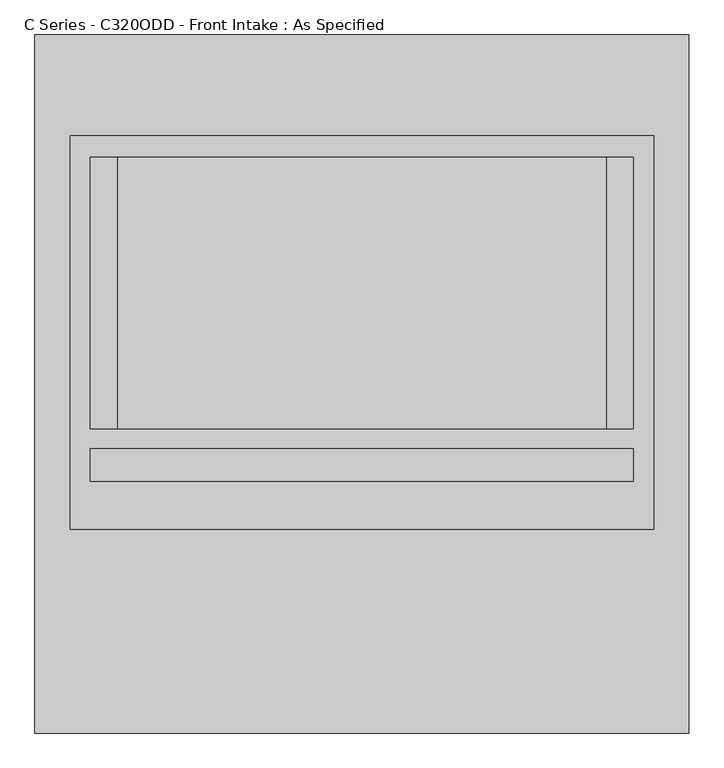
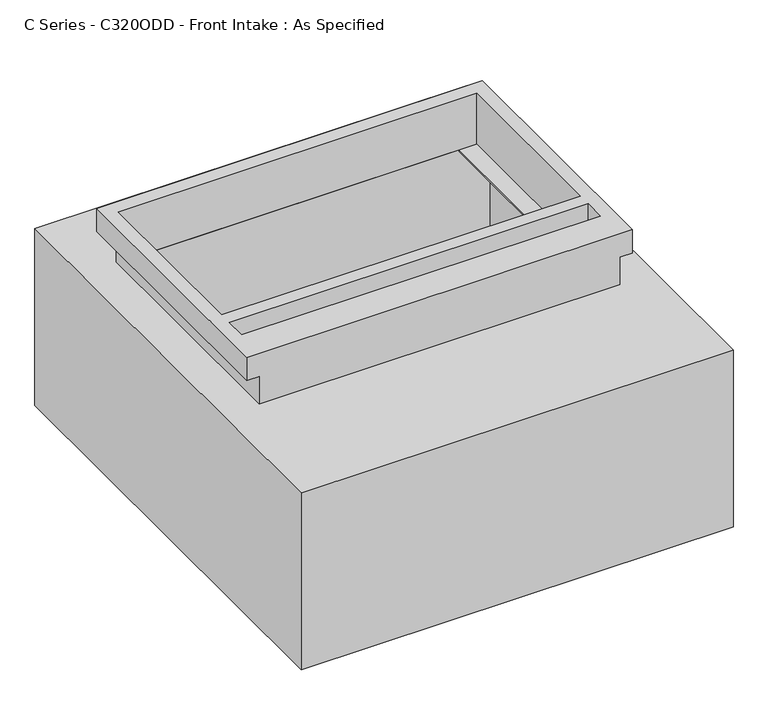
"""IFC4 building model written with IfcOpenShell, lengths in millimetres: proxy geometry, C Series - C320ODD - Front Intake : As Specified."""

from ifc_helpers import new_model, si_unit, frame, origin, place, context, project, spatial, polyline, circle_curve, faceted_brep, source, transform, mapped, element, save
from ifc_brep_helpers import plane_surface, revolved_surface, advanced_brep


def c_series_c320odd_front_intake_as_specified_63b49b5e(model_context):
    return source(origin(), model_context, "Body", "SolidModel", [
        advanced_brep(
        [(611.98125, 653.3058594, -530.3242188), (611.98125, -653.3058594, -530.3242188), (-611.98125, -653.3058594, -530.3242188), (-611.98125, 653.3058594, -530.3242188), (611.98125, 653.3058594, 0.0), (-611.98125, 653.3058594, 0.0), (-611.98125, -653.3058594, 0.0), (611.98125, -653.3058594, 0.0), (457.2, 424.6066406, 0.0), (457.2, -83.3933594, 0.0), (-457.2, -83.3933594, 0.0), (-457.2, 424.6066406, 0.0), (611.98125, -272.3058594, -430.3117188), (611.98125, -294.5308594, -430.3117188), (611.98125, -170.7058594, -430.3117188), (611.98125, -192.9308594, -430.3117188), (611.98125, -272.3058594, -100.1117188), (611.98125, -294.5308594, -100.1117188), (611.98125, -170.7058594, -100.1117188), (611.98125, -192.9308594, -100.1117188), (546.1, 424.6066406, -527.05), (-546.1, 424.6066406, -527.05), (-546.1, -83.3933594, -527.05), (546.1, -83.3933594, -527.05), (546.1, 424.6066406, -3.175), (546.1, -83.3933594, -3.175), (457.2, -83.3933594, -3.175), (457.2, 424.6066406, -3.175), (-546.1, -83.3933594, -3.175), (-546.1, 424.6066406, -3.175), (-457.2, 424.6066406, -3.175), (-457.2, -83.3933594, -3.175), (596.128271, -294.5308594, -430.3117188), (596.128271, -272.3058594, -430.3117188), (596.128271, -192.9308594, -430.3117188), (596.128271, -170.7058594, -430.3117188), (596.128271, -294.5308594, -100.1117188), (596.128271, -272.3058594, -100.1117188), (596.128271, -192.9308594, -100.1117188), (596.128271, -170.7058594, -100.1117188)],
        [
            (0, 1),
            (1, 2),
            (2, 3),
            (3, 0),
            (4, 5),
            (5, 6),
            (6, 7),
            (7, 4),
            (8, 9),
            (9, 10),
            (10, 11),
            (11, 8),
            (3, 5),
            (4, 0),
            (2, 6),
            (1, 7),
            (12, 13, circle_curve(frame((611.98125, -283.4183594, -430.3117188), z_axis=(-1.0, 0.0, 0.0), x_axis=(0.0, 1.0, 0.0)), 11.1125)),
            (13, 12, circle_curve(frame((611.98125, -283.4183594, -430.3117188), z_axis=(-1.0, 0.0, 0.0), x_axis=(0.0, 1.0, 0.0)), 11.1125)),
            (14, 15, circle_curve(frame((611.98125, -181.8183594, -430.3117188), z_axis=(-1.0, 0.0, 0.0), x_axis=(0.0, 1.0, 0.0)), 11.1125)),
            (15, 14, circle_curve(frame((611.98125, -181.8183594, -430.3117188), z_axis=(-1.0, 0.0, 0.0), x_axis=(0.0, 1.0, 0.0)), 11.1125)),
            (16, 17, circle_curve(frame((611.98125, -283.4183594, -100.1117188), z_axis=(-1.0, 0.0, 0.0), x_axis=(0.0, 1.0, 0.0)), 11.1125)),
            (17, 16, circle_curve(frame((611.98125, -283.4183594, -100.1117188), z_axis=(-1.0, 0.0, 0.0), x_axis=(0.0, 1.0, 0.0)), 11.1125)),
            (18, 19, circle_curve(frame((611.98125, -181.8183594, -100.1117188), z_axis=(-1.0, 0.0, 0.0), x_axis=(0.0, 1.0, 0.0)), 11.1125)),
            (19, 18, circle_curve(frame((611.98125, -181.8183594, -100.1117188), z_axis=(-1.0, 0.0, 0.0), x_axis=(0.0, 1.0, 0.0)), 11.1125)),
            (20, 21),
            (21, 22),
            (22, 23),
            (23, 20),
            (24, 25),
            (25, 26),
            (26, 27),
            (27, 24),
            (28, 29),
            (29, 30),
            (30, 31),
            (31, 28),
            (23, 25),
            (24, 20),
            (22, 28),
            (31, 10),
            (9, 26),
            (21, 29),
            (27, 8),
            (11, 30),
            (32, 33, circle_curve(frame((596.128271, -283.4183594, -430.3117188), z_axis=(1.0, 0.0, 0.0), x_axis=(0.0, 1.0, 0.0)), 11.1125)),
            (33, 32, circle_curve(frame((596.128271, -283.4183594, -430.3117188), z_axis=(1.0, 0.0, 0.0), x_axis=(0.0, 1.0, 0.0)), 11.1125)),
            (34, 35, circle_curve(frame((596.128271, -181.8183594, -430.3117188), z_axis=(1.0, 0.0, 0.0), x_axis=(0.0, 1.0, 0.0)), 11.1125)),
            (35, 34, circle_curve(frame((596.128271, -181.8183594, -430.3117188), z_axis=(1.0, 0.0, 0.0), x_axis=(0.0, 1.0, 0.0)), 11.1125)),
            (36, 37, circle_curve(frame((596.128271, -283.4183594, -100.1117188), z_axis=(1.0, 0.0, 0.0), x_axis=(0.0, 1.0, 0.0)), 11.1125)),
            (37, 36, circle_curve(frame((596.128271, -283.4183594, -100.1117188), z_axis=(1.0, 0.0, 0.0), x_axis=(0.0, 1.0, 0.0)), 11.1125)),
            (38, 39, circle_curve(frame((596.128271, -181.8183594, -100.1117188), z_axis=(1.0, 0.0, 0.0), x_axis=(0.0, 1.0, 0.0)), 11.1125)),
            (39, 38, circle_curve(frame((596.128271, -181.8183594, -100.1117188), z_axis=(1.0, 0.0, 0.0), x_axis=(0.0, 1.0, 0.0)), 11.1125)),
            (32, 13),
            (12, 33),
            (34, 15),
            (14, 35),
            (36, 17),
            (16, 37),
            (38, 19),
            (18, 39),
        ],
        [
            plane_surface(frame((-611.98125, 653.3058594, -530.3242188), z_axis=(0.0, 0.0, -1.0), x_axis=(1.0, 0.0, 0.0))),
            plane_surface(frame((-611.98125, 653.3058594, 0.0), z_axis=(0.0, 0.0, 1.0), x_axis=(-1.0, 0.0, 0.0))),
            plane_surface(frame((611.98125, 653.3058594, 0.0), z_axis=(0.0, 1.0, 0.0), x_axis=(0.0, 0.0, -1.0))),
            plane_surface(frame((-611.98125, 653.3058594, 0.0), z_axis=(-1.0, 0.0, 0.0), x_axis=(0.0, 0.0, -1.0))),
            plane_surface(frame((-611.98125, -653.3058594, 0.0), z_axis=(0.0, -1.0, 0.0), x_axis=(0.0, 0.0, -1.0))),
            plane_surface(frame((611.98125, -653.3058594, 0.0), z_axis=(1.0, 0.0, 0.0), x_axis=(0.0, 0.0, -1.0))),
            plane_surface(frame((546.1, 424.6066406, -527.05), z_axis=(0.0, 0.0, 1.0), x_axis=(0.0, -1.0, 0.0))),
            plane_surface(frame((546.1, 424.6066406, -3.175), z_axis=(0.0, 0.0, -1.0), x_axis=(0.0, 1.0, 0.0))),
            plane_surface(frame((546.1, 424.6066406, -527.05), z_axis=(-1.0, 0.0, 0.0), x_axis=(0.0, 0.0, 1.0))),
            plane_surface(frame((546.1, -83.3933594, -527.05), z_axis=(0.0, 1.0, 0.0), x_axis=(0.0, 0.0, 1.0))),
            plane_surface(frame((-546.1, -83.3933594, -527.05), z_axis=(1.0, 0.0, 0.0), x_axis=(0.0, 0.0, 1.0))),
            plane_surface(frame((-546.1, 424.6066406, -527.05), z_axis=(0.0, -1.0, 0.0), x_axis=(0.0, 0.0, 1.0))),
            plane_surface(frame((457.2, 424.6066406, -25.4), z_axis=(-1.0, 0.0, 0.0), x_axis=(0.0, 0.0, 1.0))),
            plane_surface(frame((-457.2, -83.3933594, -25.4), z_axis=(1.0, 0.0, 0.0), x_axis=(0.0, 0.0, 1.0))),
            plane_surface(frame((596.128271, -272.3058594, -430.3117188), z_axis=(1.0, 0.0, 0.0), x_axis=(0.0, 0.0, -1.0))),
            revolved_surface(polyline([(611.98125, -272.3058594, -430.3117188), (596.128271, -272.3058594, -430.3117188)]), (596.128271, -283.4183594, -430.3117188), (1.0, 0.0, 0.0)),
            revolved_surface(polyline([(611.98125, -170.70585939999998, -430.3117188), (596.128271, -170.70585939999998, -430.3117188)]), (0.0, -181.8183594, -430.3117188), (1.0, 0.0, 0.0)),
            revolved_surface(polyline([(611.98125, -272.3058594, -100.1117188), (596.128271, -272.3058594, -100.1117188)]), (0.0, -283.4183594, -100.1117188), (1.0, 0.0, 0.0)),
            revolved_surface(polyline([(611.98125, -170.70585939999998, -100.1117188), (596.128271, -170.70585939999998, -100.1117188)]), (0.0, -181.8183594, -100.1117188), (1.0, 0.0, 0.0)),
        ],
        [
            (0, [[1, 2, 3, 4]]),
            (1, [[5, 6, 7, 8], [9, 10, 11, 12]]),
            (2, [[-4, 13, -5, 14]]),
            (3, [[-3, 15, -6, -13]]),
            (4, [[-2, 16, -7, -15]]),
            (5, [[-1, -14, -8, -16], [17, 18], [19, 20], [21, 22], [23, 24]]),
            (6, [[25, 26, 27, 28]]),
            (7, [[29, 30, 31, 32]]),
            (7, [[33, 34, 35, 36]]),
            (8, [[-28, 37, -29, 38]]),
            (9, [[-27, 39, -36, 40, -10, 41, -30, -37]]),
            (10, [[-26, 42, -33, -39]]),
            (11, [[-25, -38, -32, 43, -12, 44, -34, -42]]),
            (12, [[-43, -31, -41, -9]]),
            (13, [[-40, -35, -44, -11]]),
            (14, [[45, 46]]),
            (14, [[47, 48]]),
            (14, [[49, 50]]),
            (14, [[51, 52]]),
            (15, [[-45, 53, -17, 54]]),
            (15, [[-46, -54, -18, -53]]),
            (16, [[-47, 55, -19, 56]]),
            (16, [[-48, -56, -20, -55]]),
            (17, [[-49, 57, -21, 58]]),
            (17, [[-50, -58, -22, -57]]),
            (18, [[-51, 59, -23, 60]]),
            (18, [[-52, -60, -24, -59]]),
        ],
    ),
        faceted_brep([(546.1, 464.2941406, 152.4), (-546.1, 464.2941406, 152.4), (-546.1, -272.3058594, 152.4), (546.1, -272.3058594, 152.4), (508.0, 424.6066406, 152.4), (508.0, -83.3933594, 152.4), (-508.0, -83.3933594, 152.4), (-508.0, 424.6066406, 152.4), (508.0, -121.4933594, 152.4), (508.0, -181.8183594, 152.4), (-508.0, -181.8183594, 152.4), (-508.0, -121.4933594, 152.4), (511.175, -272.3058594, 0.0), (-511.175, -272.3058594, 0.0), (-511.175, 429.3691406, 0.0), (511.175, 429.3691406, 0.0), (508.0, -83.3933594, 0.0), (508.0, 424.6066406, 0.0), (-508.0, 424.6066406, 0.0), (-508.0, -83.3933594, 0.0), (546.1, 464.2941406, 82.55), (-546.1, 464.2941406, 82.55), (-546.1, -272.3058594, 82.55), (-511.175, -272.3058594, 82.55), (511.175, -272.3058594, 82.55), (546.1, -272.3058594, 82.55), (511.175, 429.3691406, 82.55), (-511.175, 429.3691406, 82.55), (508.0, -121.4933594, 82.55), (-508.0, -121.4933594, 82.55), (-508.0, -181.8183594, 82.55), (508.0, -181.8183594, 82.55)], [[[0, 1, 2, 3], [4, 5, 6, 7], [8, 9, 10, 11]], [[12, 13, 14, 15], [16, 17, 18, 19]], [[1, 0, 20, 21]], [[2, 1, 21, 22]], [[3, 2, 22, 23, 13, 12, 24, 25]], [[0, 3, 25, 20]], [[24, 26, 27, 23, 22, 21, 20, 25]], [[26, 24, 12, 15]], [[27, 26, 15, 14]], [[23, 27, 14, 13]], [[16, 5, 4, 17]], [[5, 16, 19, 6]], [[6, 19, 18, 7]], [[17, 4, 7, 18]], [[28, 29, 30, 31]], [[28, 31, 9, 8]], [[31, 30, 10, 9]], [[30, 29, 11, 10]], [[29, 28, 8, 11]]]),
    ])


if __name__ == "__main__":
    model = new_model("IFC4")
    model_context = context("Model", 3, world=origin())
    ifc_project = project(units=[si_unit("LENGTHUNIT", "METRE", prefix="MILLI")], contexts=[model_context])
    site = spatial("IfcSite", under=ifc_project)
    building = spatial("IfcBuilding", under=site)
    placement = place(None, origin())
    c_series_c320odd_front_intake_as_specified_shape = c_series_c320odd_front_intake_as_specified_63b49b5e(model_context)
    element("IfcBuildingElementProxy", 1, Name="C Series - C320ODD - Front Intake : As Specified", ObjectType="C Series - C320ODD - Front Intake : As Specified", at=placement, inside=building, context=model_context, shape_type="MappedRepresentation", body=[
        mapped(c_series_c320odd_front_intake_as_specified_shape, transform((0.0, 0.0, 0.0), x_axis=(1.0, 0.0, 0.0), y_axis=(0.0, 1.0, 0.0), z_axis=(0.0, 0.0, 1.0))),
    ])
    save(model, "model.ifc")
